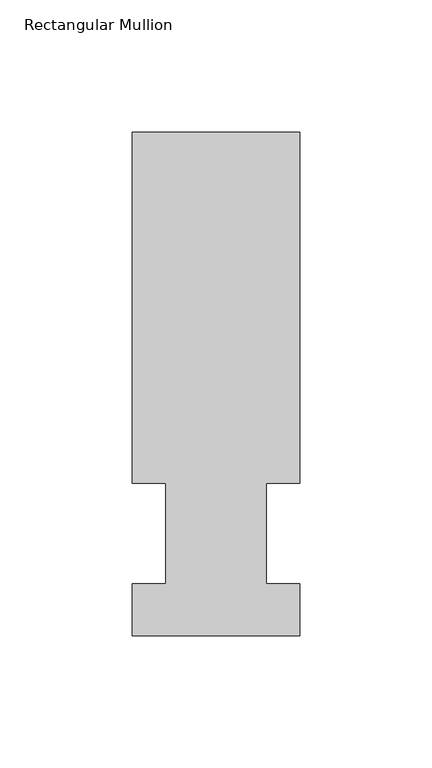
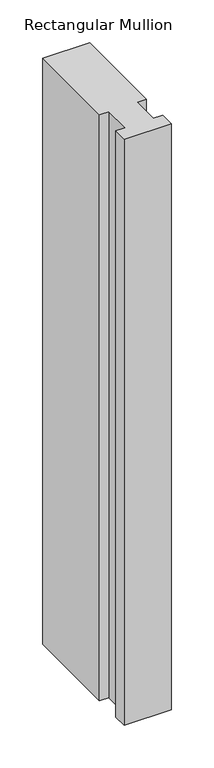
"""IFC4 building model written with IfcOpenShell, lengths in millimetres: member geometry, Rectangular Mullion."""

import ifcopenshell
import ifcopenshell.guid

model = None  # the IFC model being written
_history = None  # IfcOwnerHistory: only IFC2X3 demands one
_inside = {}  # id of a spatial element -> (the spatial element, [elements in it])
_under = {}  # id of a project, library or spatial element -> (it, [spatial elements below it])
_declared = {}  # id of a project -> (the project, [libraries it declares])
_typed = {}  # id of a type object -> (the type object, [elements of that type])
_made_of = {}  # id of a material, layer set ... -> (it, [elements and type objects made of it])


def new_model(schema):
    """Start an empty IFC model of exactly this schema.

    Asked for "IFC4X3", IfcOpenShell would pick the latest addendum, in which some entities
    have other attributes; the version numbers below select the first issue.
    IFC2X3 requires an IfcOwnerHistory on every rooted entity: one is made here for all.
    """
    global model, _history
    if schema == "IFC4X3":
        model = ifcopenshell.file(schema_version=(4, 3, 0, 0))
    else:
        model = ifcopenshell.file(schema=schema)
    _inside.clear()
    _under.clear()
    _declared.clear()
    _typed.clear()
    _made_of.clear()
    _history = None
    if model.schema == "IFC2X3":
        org = make("IfcOrganization", Name="unknown")
        user = make(
            "IfcPersonAndOrganization",
            ThePerson=make("IfcPerson", FamilyName="unknown"),
            TheOrganization=org,
        )
        app = make(
            "IfcApplication",
            ApplicationDeveloper=org,
            Version="unknown",
            ApplicationFullName="unknown",
            ApplicationIdentifier="unknown",
        )
        _history = make(
            "IfcOwnerHistory",
            OwningUser=user,
            OwningApplication=app,
            ChangeAction="ADDED",
            CreationDate=0,
        )
    return model


def make(cls, **values):
    """One entity of the class cls with the attributes given. An attribute that is None is left unset."""
    return model.create_entity(
        cls, **{name: value for name, value in values.items() if value is not None}
    )


def rooted(cls, **values):
    """An entity with a GlobalId (a new one), such as an element, a storey or a relation."""
    return make(cls, GlobalId=ifcopenshell.guid.new(), OwnerHistory=_history, **values)


def si_unit(unit_type, name, prefix=None):
    """IfcSIUnit, for example si_unit("LENGTHUNIT", "METRE", prefix="MILLI")."""
    return make("IfcSIUnit", UnitType=unit_type, Prefix=prefix, Name=name)


def assignment(units):
    """IfcUnitAssignment: the units of a project."""
    return None if units is None else make("IfcUnitAssignment", Units=units)


def point(xyz):
    """IfcCartesianPoint."""
    return None if xyz is None else make("IfcCartesianPoint", Coordinates=xyz)


def direction(xyz):
    """IfcDirection."""
    return None if xyz is None else make("IfcDirection", DirectionRatios=xyz)


def frame(location, z_axis=None, x_axis=None):
    """IfcAxis2Placement3D, a coordinate frame: its origin and axes. An axis left out is left unset."""
    return make(
        "IfcAxis2Placement3D",
        Location=point(location),
        Axis=direction(z_axis),
        RefDirection=direction(x_axis),
    )


def origin():
    """The frame at (0, 0, 0) with its axes left unset."""
    return frame((0.0, 0.0, 0.0))


def place(relative_to, where):
    """IfcLocalPlacement: puts the frame where relative to a parent placement (None: the world)."""
    return make(
        "IfcLocalPlacement", PlacementRelTo=relative_to, RelativePlacement=where
    )


def context(
    kind, dimensions, precision=None, world=None, true_north=None, identifier=None
):
    """IfcGeometricRepresentationContext, for example the 3D "Model" context."""
    return make(
        "IfcGeometricRepresentationContext",
        ContextIdentifier=identifier,
        ContextType=kind,
        CoordinateSpaceDimension=dimensions,
        Precision=precision,
        WorldCoordinateSystem=world,
        TrueNorth=true_north,
    )


def project(units=None, contexts=None):
    """IfcProject with its units and contexts."""
    return rooted(
        "IfcProject",
        Name="project",
        RepresentationContexts=contexts,
        UnitsInContext=assignment(units),
    )


def spatial(cls, under=None, at=None, **own):
    """A site, building, storey or space (cls), placed at a placement, below another one or the project."""
    s = rooted(cls, ObjectPlacement=at, **own)
    if under is not None:
        _under.setdefault(under.id(), (under, []))[1].append(s)
    return s


def polyline(points):
    """IfcPolyline through the points."""
    return make("IfcPolyline", Points=[point(p) for p in points])


def outline(outer, holes=None, kind="AREA"):
    """IfcArbitraryClosedProfileDef: a profile drawn as a closed curve; with holes, ...WithVoids."""
    if holes is None:
        return make("IfcArbitraryClosedProfileDef", ProfileType=kind, OuterCurve=outer)
    return make(
        "IfcArbitraryProfileDefWithVoids",
        ProfileType=kind,
        OuterCurve=outer,
        InnerCurves=holes,
    )


def extrude(swept, where, along, depth):
    """IfcExtrudedAreaSolid: the profile swept, set in the frame where, extruded along a direction by depth."""
    return make(
        "IfcExtrudedAreaSolid",
        SweptArea=swept,
        Position=where,
        ExtrudedDirection=direction(along),
        Depth=depth,
    )


def shape(context_of_items, identifier, shape_type, items):
    """IfcShapeRepresentation: the items that make up one representation, for example the "Body"."""
    return make(
        "IfcShapeRepresentation",
        ContextOfItems=context_of_items,
        RepresentationIdentifier=identifier,
        RepresentationType=shape_type,
        Items=items,
    )


def source(mapping_origin, context_of_items, identifier, shape_type, items):
    """IfcRepresentationMap: a shape defined once, which mapped items show again and again."""
    return make(
        "IfcRepresentationMap",
        MappingOrigin=mapping_origin,
        MappedRepresentation=shape(context_of_items, identifier, shape_type, items),
    )


def transform(
    local_origin,
    x_axis=None,
    y_axis=None,
    z_axis=None,
    scale=None,
    scale2=None,
    scale3=None,
    uniform=True,
):
    """IfcCartesianTransformationOperator3D, or its non-uniform kind. x_axis, y_axis, z_axis: its Axis1, 2, 3."""
    if uniform:
        return make(
            "IfcCartesianTransformationOperator3D",
            Axis1=direction(x_axis),
            Axis2=direction(y_axis),
            LocalOrigin=point(local_origin),
            Scale=scale,
            Axis3=direction(z_axis),
        )
    return make(
        "IfcCartesianTransformationOperator3DnonUniform",
        Axis1=direction(x_axis),
        Axis2=direction(y_axis),
        LocalOrigin=point(local_origin),
        Scale=scale,
        Axis3=direction(z_axis),
        Scale2=scale2,
        Scale3=scale3,
    )


def mapped(mapping_source, mapping_target):
    """IfcMappedItem: shows the shape of a source again, moved by a transform."""
    return make(
        "IfcMappedItem", MappingSource=mapping_source, MappingTarget=mapping_target
    )


def made_of(thing, what):
    """Note that an element or type object is made of a material, layer set ...; save() writes the relation."""
    if what is not None:
        _made_of.setdefault(what.id(), (what, []))[1].append(thing)
    return thing


def element(
    cls,
    number,
    at=None,
    inside=None,
    cuts=None,
    type_object=None,
    material=None,
    context=None,
    identifier="Body",
    shape_type=None,
    held_by="IfcProductDefinitionShape",
    body=None,
    shapes=None,
    **own,
):
    """One element of the class cls, such as IfcWall. Its Tag is "e" and its number.

    at: its placement. inside: the storey or other place that contains it. cuts: it is an
    opening in that element (IfcRelVoidsElement). A single representation is given by context,
    identifier, shape_type and body (its items); several are given by shapes. held_by: the class
    of the entity that holds the representations. save() writes the other relations.
    """
    e = rooted(cls, Tag="e%d" % number, ObjectPlacement=at, **own)
    if body is not None:
        shapes = [shape(context, identifier, shape_type, body)]
    if shapes is not None:
        e.Representation = make(held_by, Representations=shapes)
    if inside is not None:
        _inside.setdefault(inside.id(), (inside, []))[1].append(e)
    if cuts is not None:
        rooted(
            "IfcRelVoidsElement", RelatingBuildingElement=cuts, RelatedOpeningElement=e
        )
    if type_object is not None:
        _typed.setdefault(type_object.id(), (type_object, []))[1].append(e)
    return made_of(e, material)


def aggregate(whole, parts):
    """IfcRelAggregates: a whole, such as a stair, and the parts it consists of."""
    return rooted("IfcRelAggregates", RelatingObject=whole, RelatedObjects=parts)


def save(model, path):
    """Write the relations noted so far, then the file.

    IfcRelAggregates (storeys below a building ...), IfcRelContainedInSpatialStructure (elements
    in a storey), IfcRelDefinesByType, IfcRelAssociatesMaterial and IfcRelDeclares: one each for
    every whole, place, type object, material and project.
    """
    for whole, parts in _under.values():
        aggregate(whole, parts)
    for where, things in _inside.values():
        rooted(
            "IfcRelContainedInSpatialStructure",
            RelatedElements=things,
            RelatingStructure=where,
        )
    for kind, things in _typed.values():
        rooted("IfcRelDefinesByType", RelatedObjects=things, RelatingType=kind)
    for what, things in _made_of.values():
        rooted("IfcRelAssociatesMaterial", RelatedObjects=things, RelatingMaterial=what)
    for by, libraries in _declared.values():
        rooted("IfcRelDeclares", RelatingContext=by, RelatedDefinitions=libraries)
    model.write(path)


def rectangular_mullion_3a23fff3(model_context):
    return source(origin(), model_context, "Body", "SweptSolid", [
        extrude(outline(polyline([(31.75, 190.5896938), (31.75, 57.6460937), (19.05, 57.6460937), (19.05, 19.5460938), (31.75, 19.5460938), (31.75, 0.0134938), (-31.75, 0.0134938), (-31.75, 19.5460938), (-19.05, 19.5460938), (-19.05, 57.6460937), (-31.75, 57.6460937), (-31.75, 190.5896938), (31.75, 190.5896938)])), frame((0.0, 0.0, -838.2), z_axis=(0.0, 0.0, 1.0), x_axis=(1.0, 0.0, 0.0)), (0.0, 0.0, 1.0), 838.2),
    ])


if __name__ == "__main__":
    model = new_model("IFC4")
    model_context = context("Model", 3, world=origin())
    ifc_project = project(units=[si_unit("LENGTHUNIT", "METRE", prefix="MILLI")], contexts=[model_context])
    site = spatial("IfcSite", under=ifc_project)
    building = spatial("IfcBuilding", under=site)
    placement = place(None, origin())
    rectangular_mullion_shape = rectangular_mullion_3a23fff3(model_context)
    element("IfcMember", 1, ObjectType="Rectangular Mullion", at=placement, inside=building, context=model_context, shape_type="MappedRepresentation", body=[
        mapped(rectangular_mullion_shape, transform((0.0, 0.0, 0.0), x_axis=(1.0, 0.0, 0.0), y_axis=(0.0, 1.0, 0.0), z_axis=(0.0, 0.0, 1.0))),
    ])
    save(model, "model.ifc")
